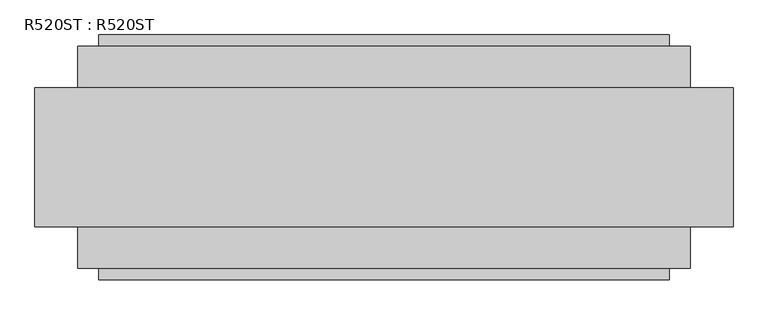
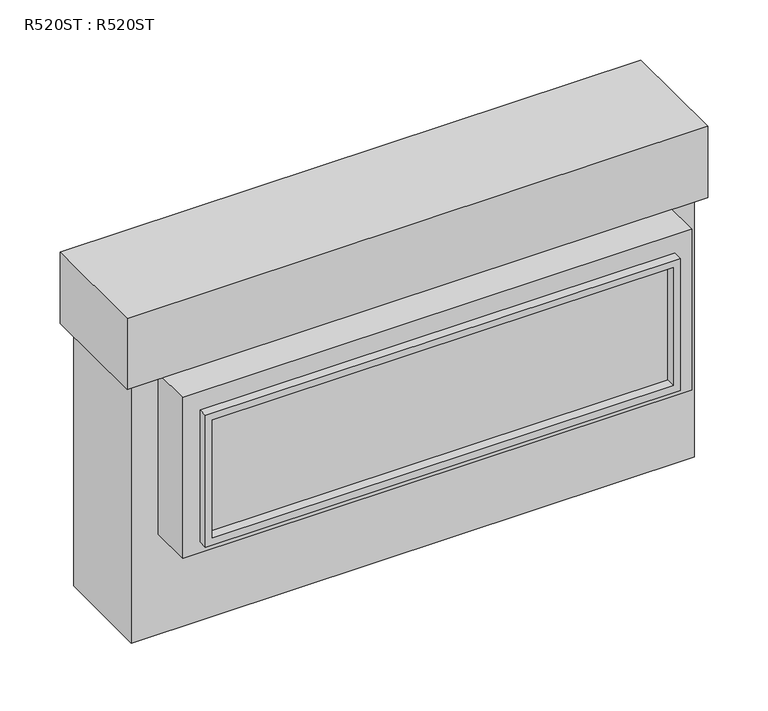
"""IFC4 building model written with IfcOpenShell, lengths in millimetres: proxy geometry, R520ST : R520ST."""

from ifc_helpers import new_model, si_unit, frame, origin, origin_with_axes, place, context, project, spatial, polyline, outline, extrude, source, transform, mapped, element, save


def r520st_r520st_fa87efe9(model_context):
    return source(origin(), model_context, "Body", "SweptSolid", [
        extrude(outline(polyline([(383.7939923, 775.1768231), (839.571625, 775.1768231), (839.571625, -775.1629949), (383.7939923, -775.1629949), (383.7939923, 775.1768231)]), holes=[polyline([(816.3306266, 752.7486086), (409.1939923, 752.7486086), (409.1939923, -752.7486086), (816.3306266, -752.7486086), (816.3306266, 752.7486086)])]), frame((0.0, 301.5487979, 0.0), z_axis=(0.0, 1.0, 0.0), x_axis=(0.0, 0.0, 1.0)), (0.0, 0.0, 1.0), 30.8572054),
        extrude(outline(polyline([(-831.7224098, 301.5487979), (831.7108684, 301.5487979), (831.7108684, 163.5125), (-831.7224098, 163.5125), (-831.7224098, 301.5487979)])), frame((0.0, 0.0, 346.0496366), z_axis=(0.0, 0.0, 1.0), x_axis=(1.0, 0.0, 0.0)), (0.0, 0.0, 1.0), 556.463182),
        extrude(outline(polyline([(383.7939923, 775.1768231), (839.571625, 775.1768231), (839.571625, -775.1629949), (383.7939923, -775.1629949), (383.7939923, 775.1768231)]), holes=[polyline([(816.3306266, 752.7486086), (409.1939923, 752.7486086), (409.1939923, -752.7486086), (816.3306266, -752.7486086), (816.3306266, 752.7486086)])]), frame((0.0, -332.4060033, 0.0), z_axis=(0.0, 1.0, 0.0), x_axis=(0.0, 0.0, 1.0)), (0.0, 0.0, 1.0), 30.8572054),
        extrude(outline(polyline([(831.7108684, -301.5487979), (-831.7224098, -301.5487979), (-831.7224098, -163.5125), (831.7108684, -163.5125), (831.7108684, -301.5487979)])), frame((0.0, 0.0, 346.0496366), z_axis=(0.0, 0.0, 1.0), x_axis=(1.0, 0.0, 0.0)), (0.0, 0.0, 1.0), 556.463182),
        extrude(outline(polyline([(948.5254684, 188.9125), (948.5254684, -188.9125), (-948.5370316, -188.9125), (-948.5370316, 188.9125), (948.5254684, 188.9125)])), frame((0.0, 0.0, 902.5128186), z_axis=(0.0, 0.0, 1.0), x_axis=(1.0, 0.0, 0.0)), (0.0, 0.0, 1.0), 245.9228337),
        extrude(outline(polyline([(919.9504684, 163.5125), (919.9504684, -163.5125), (-919.9620316, -163.5125), (-919.9620316, 163.5125), (919.9504684, 163.5125)])), origin_with_axes(), (0.0, 0.0, 1.0), 902.5128186),
    ])


if __name__ == "__main__":
    model = new_model("IFC4")
    model_context = context("Model", 3, world=origin())
    ifc_project = project(units=[si_unit("LENGTHUNIT", "METRE", prefix="MILLI")], contexts=[model_context])
    site = spatial("IfcSite", under=ifc_project)
    building = spatial("IfcBuilding", under=site)
    placement = place(None, origin())
    r520st_r520st_shape = r520st_r520st_fa87efe9(model_context)
    element("IfcBuildingElementProxy", 1, Name="R520ST : R520ST", ObjectType="R520ST : R520ST", at=placement, inside=building, context=model_context, shape_type="MappedRepresentation", body=[
        mapped(r520st_r520st_shape, transform((0.0, 0.0, 0.0), x_axis=(1.0, 0.0, 0.0), y_axis=(0.0, 1.0, 0.0), z_axis=(0.0, 0.0, 1.0))),
    ])
    save(model, "model.ifc")
